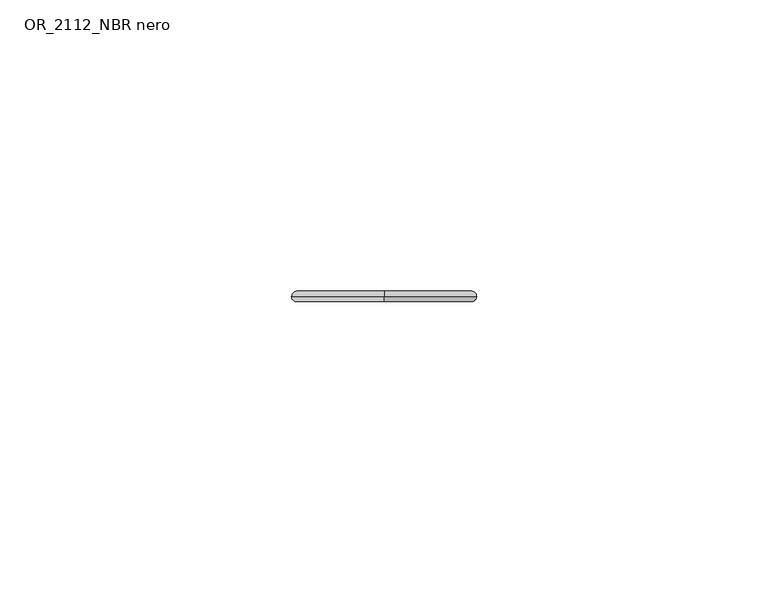
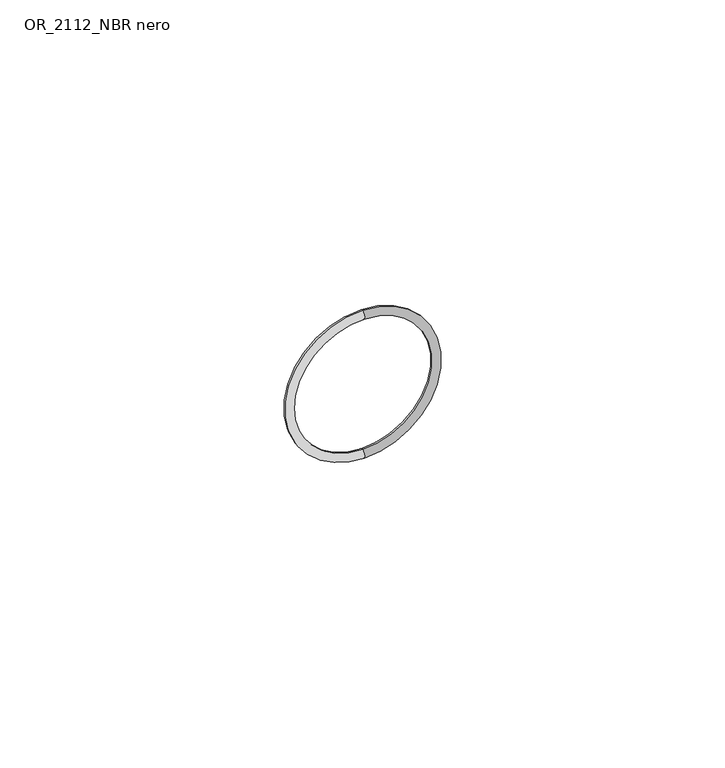
"""IFC4 building model written with IfcOpenShell, lengths in millimetres: proxy geometry, OR_2112_NBR nero."""

from ifc_helpers import new_model, si_unit, point, frame, origin, place, context, project, spatial, circle_curve, ellipse_curve, trimmed, source, transform, mapped, element, save
from ifc_brep_helpers import revolved_surface, advanced_brep


def or_2112_nbr_nero_77bd5fae(model_context):
    return source(origin(), model_context, "Body", "AdvancedBrep", [
        advanced_brep(
        [(0.0, 0.0, -15.93), (0.0, 0.0, 15.93), (0.0, 0.0, 14.15), (0.0, 0.0, -14.15)],
        [
            (0, 1, circle_curve(frame((0.0, 0.0, 0.0), z_axis=(0.0, 1.0, 0.0), x_axis=(0.0, 0.0, -1.0)), 15.93)),
            (1, 2, circle_curve(frame((0.0, 0.0, 15.04), z_axis=(-1.0, 0.0, 0.0), x_axis=(0.0, 0.0, 1.0)), 0.89)),
            (2, 3, circle_curve(frame((0.0, 0.0, 0.0), z_axis=(0.0, -1.0, 0.0), x_axis=(0.0, 0.0, -1.0)), 14.15)),
            (3, 0, circle_curve(frame((0.0, 0.0, -15.04), z_axis=(-1.0, 0.0, 0.0), x_axis=(0.0, 0.0, -1.0)), 0.89)),
            (1, 0, circle_curve(frame((0.0, 0.0, 0.0), z_axis=(0.0, 1.0, 0.0), x_axis=(0.0, 0.0, 1.0)), 15.93)),
            (3, 2, circle_curve(frame((0.0, 0.0, 0.0), z_axis=(0.0, -1.0, 0.0), x_axis=(0.0, 0.0, 1.0)), 14.15)),
            (1, 2, circle_curve(frame((0.0, 0.0, 15.04), z_axis=(1.0, 0.0, 0.0), x_axis=(0.0, 0.0, 1.0)), 0.89)),
            (3, 0, circle_curve(frame((0.0, 0.0, -15.04), z_axis=(1.0, 0.0, 0.0), x_axis=(0.0, 0.0, -1.0)), 0.89)),
        ],
        [
            revolved_surface(trimmed(ellipse_curve(frame((0.0, 0.0, -15.04), z_axis=(1.0, 0.0, 0.0), x_axis=(0.0, 0.0, -1.0)), 0.89, 0.89), [point((0.0, 0.0, -15.93))], [point((0.0, 0.0, -14.15))], True, "CARTESIAN"), (0.0, 0.0, 0.0), (0.0, 1.0, 0.0)),
            revolved_surface(trimmed(ellipse_curve(frame((0.0, 0.0, 15.04), z_axis=(-1.0, 0.0, 0.0), x_axis=(0.0, 0.0, 1.0)), 0.89, 0.89), [point((0.0, 0.0, 15.93))], [point((0.0, 0.0, 14.15))], True, "CARTESIAN"), (0.0, 0.0, 0.0), (0.0, 1.0, 0.0)),
            revolved_surface(trimmed(ellipse_curve(frame((0.0, 0.0, 15.04), z_axis=(-1.0, 0.0, 0.0), x_axis=(0.0, 0.0, 1.0)), 0.89, 0.89), [point((0.0, 0.0, 14.15))], [point((0.0, 0.0, 15.93))], True, "CARTESIAN"), (0.0, 0.0, 0.0), (0.0, 1.0, 0.0)),
            revolved_surface(trimmed(ellipse_curve(frame((0.0, 0.0, -15.04), z_axis=(1.0, 0.0, 0.0), x_axis=(0.0, 0.0, -1.0)), 0.89, 0.89), [point((0.0, 0.0, -14.15))], [point((0.0, 0.0, -15.93))], True, "CARTESIAN"), (0.0, 0.0, 0.0), (0.0, 1.0, 0.0)),
        ],
        [
            (0, [[1, 2, 3, 4]]),
            (1, [[5, -4, 6, -2]]),
            (2, [[-5, 7, -6, 8]]),
            (3, [[-1, -8, -3, -7]]),
        ],
    ),
    ])


if __name__ == "__main__":
    model = new_model("IFC4")
    model_context = context("Model", 3, world=origin())
    ifc_project = project(units=[si_unit("LENGTHUNIT", "METRE", prefix="MILLI")], contexts=[model_context])
    site = spatial("IfcSite", under=ifc_project)
    building = spatial("IfcBuilding", under=site)
    placement = place(None, origin())
    or_2112_nbr_nero_shape = or_2112_nbr_nero_77bd5fae(model_context)
    element("IfcBuildingElementProxy", 1, Name="OR_2112_NBR nero", ObjectType="OR_2112_NBR nero", at=placement, inside=building, context=model_context, shape_type="MappedRepresentation", body=[
        mapped(or_2112_nbr_nero_shape, transform((0.0, 0.0, 0.0), x_axis=(1.0, 0.0, 0.0), y_axis=(0.0, 1.0, 0.0), z_axis=(0.0, 0.0, 1.0))),
    ])
    save(model, "model.ifc")
